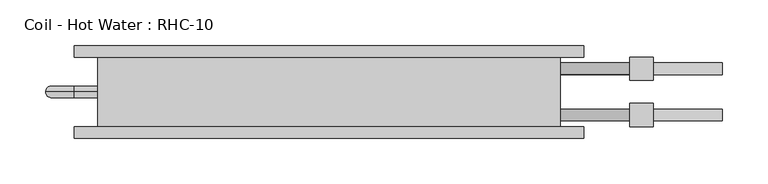
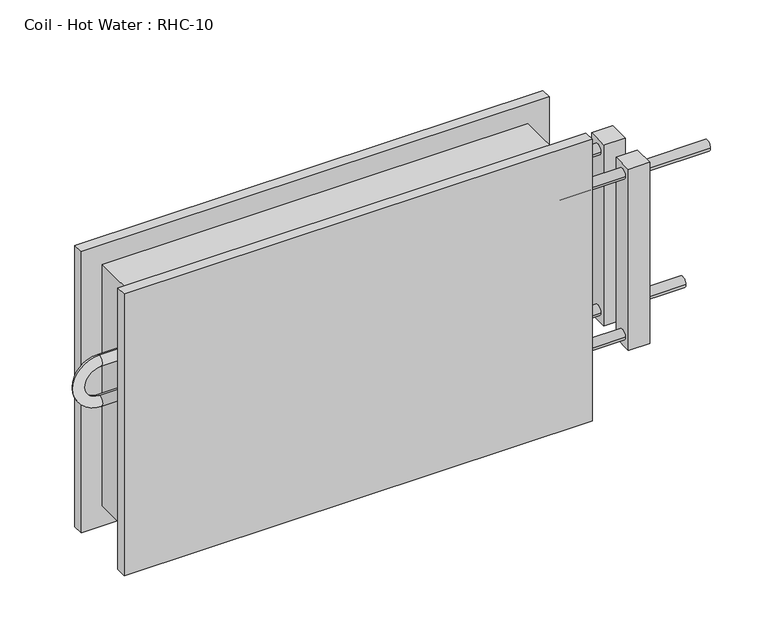
"""IFC4 building model written with IfcOpenShell, lengths in millimetres: proxy geometry, Coil - Hot Water : RHC-10."""

from ifc_helpers import new_model, si_unit, point, frame, origin, place, context, project, spatial, circle_curve, ellipse_curve, trimmed, source, transform, mapped, element, save
from ifc_brep_helpers import plane_surface, cylinder_surface, revolved_surface, advanced_brep


def coil_hot_water_rhc_10_0d7b124d(model_context):
    return source(origin(), model_context, "Body", "AdvancedBrep", [
        advanced_brep(
        [(-254.0, 76.2, 304.8), (-254.0, 0.0, 304.8), (254.0, 0.0, 304.8), (254.0, 76.2, 304.8), (254.0, 76.2, 0.0), (254.0, 0.0, 0.0), (-254.0, 0.0, 0.0), (-254.0, 76.2, 0.0), (-254.0, 38.1, 222.25), (-254.0, 38.1, 209.55), (-254.0, 38.1, 171.45), (-254.0, 38.1, 158.75), (254.0, 57.15, 254.0), (254.0, 69.85, 254.0), (254.0, 6.35, 50.8), (254.0, 19.05, 50.8), (254.0, 6.35, 254.0), (254.0, 19.05, 254.0), (254.0, 57.15, 50.8), (254.0, 69.85, 50.8), (279.4, 76.2, 330.2), (-279.4, 76.2, 330.2), (-279.4, 76.2, -25.4), (279.4, 76.2, -25.4), (279.4, 88.9, 330.2), (279.4, 88.9, -25.4), (-279.4, 88.9, -25.4), (-279.4, 88.9, 330.2), (431.8, 57.15, 50.8), (431.8, 69.85, 50.8), (431.8, 6.35, 254.0), (431.8, 19.05, 254.0), (355.6, 57.15, 50.8), (355.6, 69.85, 50.8), (355.6, 6.35, 254.0), (355.6, 19.05, 254.0), (279.4, -12.7, 330.2), (-279.4, -12.7, 330.2), (-279.4, -12.7, -25.4), (279.4, -12.7, -25.4), (279.4, 0.0, 330.2), (279.4, 0.0, -25.4), (-279.4, 0.0, -25.4), (-279.4, 0.0, 330.2), (-279.4, 38.1, 222.25), (-279.4, 38.1, 209.55), (-279.4, 38.1, 158.75), (-279.4, 38.1, 171.45), (330.2, 57.15, 254.0), (330.2, 69.85, 254.0), (330.2, 6.35, 50.8), (330.2, 19.05, 50.8), (330.2, 6.35, 254.0), (330.2, 19.05, 254.0), (330.2, 57.15, 50.8), (330.2, 69.85, 50.8), (355.6, 50.8, 266.7), (355.6, 50.8, 38.1), (355.6, 76.2, 38.1), (355.6, 76.2, 266.7), (355.6, 0.0, 266.7), (355.6, 0.0, 38.1), (355.6, 25.4, 38.1), (355.6, 25.4, 266.7), (330.2, 50.8, 266.7), (330.2, 76.2, 266.7), (330.2, 76.2, 38.1), (330.2, 50.8, 38.1), (330.2, 0.0, 266.7), (330.2, 25.4, 266.7), (330.2, 25.4, 38.1), (330.2, 0.0, 38.1)],
        [
            (0, 1),
            (1, 2),
            (2, 3),
            (3, 0),
            (4, 5),
            (5, 6),
            (6, 7),
            (7, 4),
            (0, 7),
            (6, 1),
            (8, 9, circle_curve(frame((-254.0, 38.1, 215.9), z_axis=(1.0, 0.0, 0.0), x_axis=(0.0, 0.0, -1.0)), 6.35)),
            (9, 8, circle_curve(frame((-254.0, 38.1, 215.9), z_axis=(1.0, 0.0, 0.0), x_axis=(0.0, 0.0, -1.0)), 6.35)),
            (10, 11, circle_curve(frame((-254.0, 38.1, 165.1), z_axis=(1.0, 0.0, 0.0), x_axis=(0.0, 0.0, 1.0)), 6.35)),
            (11, 10, circle_curve(frame((-254.0, 38.1, 165.1), z_axis=(1.0, 0.0, 0.0), x_axis=(0.0, 0.0, 1.0)), 6.35)),
            (2, 5),
            (4, 3),
            (12, 13, circle_curve(frame((254.0, 63.5, 254.0), z_axis=(-1.0, 0.0, 0.0), x_axis=(0.0, 1.0, 0.0)), 6.35)),
            (13, 12, circle_curve(frame((254.0, 63.5, 254.0), z_axis=(-1.0, 0.0, 0.0), x_axis=(0.0, 1.0, 0.0)), 6.35)),
            (14, 15, circle_curve(frame((254.0, 12.7, 50.8), z_axis=(-1.0, 0.0, 0.0), x_axis=(0.0, 1.0, 0.0)), 6.35)),
            (15, 14, circle_curve(frame((254.0, 12.7, 50.8), z_axis=(-1.0, 0.0, 0.0), x_axis=(0.0, 1.0, 0.0)), 6.35)),
            (16, 17, circle_curve(frame((254.0, 12.7, 254.0), z_axis=(-1.0, 0.0, 0.0), x_axis=(0.0, 1.0, 0.0)), 6.35)),
            (17, 16, circle_curve(frame((254.0, 12.7, 254.0), z_axis=(-1.0, 0.0, 0.0), x_axis=(0.0, 1.0, 0.0)), 6.35)),
            (18, 19, circle_curve(frame((254.0, 63.5, 50.8), z_axis=(-1.0, 0.0, 0.0), x_axis=(0.0, 1.0, 0.0)), 6.35)),
            (19, 18, circle_curve(frame((254.0, 63.5, 50.8), z_axis=(-1.0, 0.0, 0.0), x_axis=(0.0, 1.0, 0.0)), 6.35)),
            (20, 21),
            (21, 22),
            (22, 23),
            (23, 20),
            (24, 25),
            (25, 26),
            (26, 27),
            (27, 24),
            (20, 24),
            (27, 21),
            (26, 22),
            (25, 23),
            (28, 29, circle_curve(frame((431.8, 63.5, 50.8), z_axis=(1.0, 0.0, 0.0), x_axis=(0.0, 1.0, 0.0)), 6.35)),
            (29, 28, circle_curve(frame((431.8, 63.5, 50.8), z_axis=(1.0, 0.0, 0.0), x_axis=(0.0, 1.0, 0.0)), 6.35)),
            (30, 31, circle_curve(frame((431.8, 12.7, 254.0), z_axis=(1.0, 0.0, 0.0), x_axis=(0.0, 1.0, 0.0)), 6.35)),
            (31, 30, circle_curve(frame((431.8, 12.7, 254.0), z_axis=(1.0, 0.0, 0.0), x_axis=(0.0, 1.0, 0.0)), 6.35)),
            (28, 32),
            (32, 33, circle_curve(frame((355.6, 63.5, 50.8), z_axis=(1.0, 0.0, 0.0), x_axis=(0.0, 1.0, 0.0)), 6.35)),
            (33, 29),
            (33, 32, circle_curve(frame((355.6, 63.5, 50.8), z_axis=(1.0, 0.0, 0.0), x_axis=(0.0, 1.0, 0.0)), 6.35)),
            (30, 34),
            (34, 35, circle_curve(frame((355.6, 12.7, 254.0), z_axis=(1.0, 0.0, 0.0), x_axis=(0.0, 1.0, 0.0)), 6.35)),
            (35, 31),
            (35, 34, circle_curve(frame((355.6, 12.7, 254.0), z_axis=(1.0, 0.0, 0.0), x_axis=(0.0, 1.0, 0.0)), 6.35)),
            (36, 37),
            (37, 38),
            (38, 39),
            (39, 36),
            (40, 41),
            (41, 42),
            (42, 43),
            (43, 40),
            (36, 40),
            (43, 37),
            (42, 38),
            (41, 39),
            (8, 44),
            (44, 45, circle_curve(frame((-279.4, 38.1, 215.9), z_axis=(1.0, 0.0, 0.0), x_axis=(0.0, 0.0, -1.0)), 6.35)),
            (45, 9),
            (45, 44, circle_curve(frame((-279.4, 38.1, 215.9), z_axis=(1.0, 0.0, 0.0), x_axis=(0.0, 0.0, -1.0)), 6.35)),
            (44, 46, circle_curve(frame((-279.4, 38.1, 190.5), z_axis=(0.0, -1.0, 0.0), x_axis=(0.0, 0.0, 1.0)), 31.75)),
            (46, 47, circle_curve(frame((-279.4, 38.1, 165.1), z_axis=(-1.0, 0.0, 0.0), x_axis=(0.0, 0.0, 1.0)), 6.35)),
            (47, 45, circle_curve(frame((-279.4, 38.1, 190.5), z_axis=(0.0, 1.0, 0.0), x_axis=(0.0, 0.0, 1.0)), 19.05)),
            (47, 46, circle_curve(frame((-279.4, 38.1, 165.1), z_axis=(-1.0, 0.0, 0.0), x_axis=(0.0, 0.0, 1.0)), 6.35)),
            (46, 11),
            (10, 47),
            (12, 48),
            (48, 49, circle_curve(frame((330.2, 63.5, 254.0), z_axis=(-1.0, 0.0, 0.0), x_axis=(0.0, 1.0, 0.0)), 6.35)),
            (49, 13),
            (49, 48, circle_curve(frame((330.2, 63.5, 254.0), z_axis=(-1.0, 0.0, 0.0), x_axis=(0.0, 1.0, 0.0)), 6.35)),
            (14, 50),
            (50, 51, circle_curve(frame((330.2, 12.7, 50.8), z_axis=(-1.0, 0.0, 0.0), x_axis=(0.0, 1.0, 0.0)), 6.35)),
            (51, 15),
            (51, 50, circle_curve(frame((330.2, 12.7, 50.8), z_axis=(-1.0, 0.0, 0.0), x_axis=(0.0, 1.0, 0.0)), 6.35)),
            (16, 52),
            (52, 53, circle_curve(frame((330.2, 12.7, 254.0), z_axis=(-1.0, 0.0, 0.0), x_axis=(0.0, 1.0, 0.0)), 6.35)),
            (53, 17),
            (53, 52, circle_curve(frame((330.2, 12.7, 254.0), z_axis=(-1.0, 0.0, 0.0), x_axis=(0.0, 1.0, 0.0)), 6.35)),
            (18, 54),
            (54, 55, circle_curve(frame((330.2, 63.5, 50.8), z_axis=(-1.0, 0.0, 0.0), x_axis=(0.0, 1.0, 0.0)), 6.35)),
            (55, 19),
            (55, 54, circle_curve(frame((330.2, 63.5, 50.8), z_axis=(-1.0, 0.0, 0.0), x_axis=(0.0, 1.0, 0.0)), 6.35)),
            (56, 57),
            (57, 58),
            (58, 59),
            (59, 56),
            (60, 61),
            (61, 62),
            (62, 63),
            (63, 60),
            (64, 65),
            (65, 66),
            (66, 67),
            (67, 64),
            (68, 69),
            (69, 70),
            (70, 71),
            (71, 68),
            (56, 64),
            (67, 57),
            (66, 58),
            (65, 59),
            (60, 68),
            (71, 61),
            (70, 62),
            (69, 63),
        ],
        [
            plane_surface(frame((-254.0, 76.2, 304.8), z_axis=(0.0, 0.0, 1.0), x_axis=(-1.0, 0.0, 0.0))),
            plane_surface(frame((-254.0, 76.2, 0.0), z_axis=(0.0, 0.0, -1.0), x_axis=(1.0, 0.0, 0.0))),
            plane_surface(frame((-254.0, 76.2, 304.8), z_axis=(-1.0, 0.0, 0.0), x_axis=(0.0, 0.0, -1.0))),
            plane_surface(frame((254.0, 0.0, 304.8), z_axis=(1.0, 0.0, 0.0), x_axis=(0.0, 0.0, -1.0))),
            plane_surface(frame((-279.4, 76.2, 330.2), z_axis=(0.0, -1.0, 0.0), x_axis=(-1.0, 0.0, 0.0))),
            plane_surface(frame((-279.4, 88.9, 330.2), z_axis=(0.0, 1.0, 0.0), x_axis=(1.0, 0.0, 0.0))),
            plane_surface(frame((279.4, 76.2, 330.2), z_axis=(0.0, 0.0, 1.0), x_axis=(0.0, 1.0, 0.0))),
            plane_surface(frame((-279.4, 76.2, 330.2), z_axis=(-1.0, 0.0, 0.0), x_axis=(0.0, 1.0, 0.0))),
            plane_surface(frame((-279.4, 76.2, -25.4), z_axis=(0.0, 0.0, -1.0), x_axis=(0.0, 1.0, 0.0))),
            plane_surface(frame((279.4, 76.2, -25.4), z_axis=(1.0, 0.0, 0.0), x_axis=(0.0, 1.0, 0.0))),
            plane_surface(frame((431.8, 69.85, 50.8), z_axis=(1.0, 0.0, 0.0), x_axis=(0.0, 0.0, 1.0))),
            cylinder_surface(frame((355.6, 63.5, 50.8), z_axis=(1.0, 0.0, 0.0), x_axis=(0.0, 1.0, 0.0)), 6.35),
            cylinder_surface(frame((0.0, 12.7, 254.0), z_axis=(1.0, 0.0, 0.0), x_axis=(0.0, 1.0, 0.0)), 6.35),
            plane_surface(frame((-279.4, -12.7, 330.2), z_axis=(0.0, -1.0, 0.0), x_axis=(-1.0, 0.0, 0.0))),
            plane_surface(frame((-279.4, 0.0, 330.2), z_axis=(0.0, 1.0, 0.0), x_axis=(1.0, 0.0, 0.0))),
            plane_surface(frame((279.4, -12.7, 330.2), z_axis=(0.0, 0.0, 1.0), x_axis=(0.0, 1.0, 0.0))),
            plane_surface(frame((-279.4, -12.7, 330.2), z_axis=(-1.0, 0.0, 0.0), x_axis=(0.0, 1.0, 0.0))),
            plane_surface(frame((-279.4, -12.7, -25.4), z_axis=(0.0, 0.0, -1.0), x_axis=(0.0, 1.0, 0.0))),
            plane_surface(frame((279.4, -12.7, -25.4), z_axis=(1.0, 0.0, 0.0), x_axis=(0.0, 1.0, 0.0))),
            cylinder_surface(frame((-254.0, 38.1, 215.9), z_axis=(1.0, 0.0, 0.0), x_axis=(0.0, 0.0, -1.0)), 6.35),
            revolved_surface(trimmed(ellipse_curve(frame((-279.4, 38.1, 215.9), z_axis=(1.0, 0.0, 0.0), x_axis=(0.0, 0.0, -1.0)), 6.35, 6.35), [point((-279.4, 38.1, 222.25))], [point((-279.4, 38.1, 209.55))], True, "CARTESIAN"), (-279.4, 0.0, 190.5), (0.0, -1.0, 0.0)),
            revolved_surface(trimmed(ellipse_curve(frame((-279.4, 38.1, 215.9), z_axis=(1.0, 0.0, 0.0), x_axis=(0.0, 0.0, -1.0)), 6.35, 6.35), [point((-279.4, 38.1, 209.55))], [point((-279.4, 38.1, 222.25))], True, "CARTESIAN"), (-279.4, 0.0, 190.5), (0.0, -1.0, 0.0)),
            cylinder_surface(frame((-279.4, 38.1, 165.1), z_axis=(-1.0, 0.0, 0.0), x_axis=(0.0, 0.0, 1.0)), 6.35),
            cylinder_surface(frame((254.0, 63.5, 254.0), z_axis=(-1.0, 0.0, 0.0), x_axis=(0.0, 1.0, 0.0)), 6.35),
            cylinder_surface(frame((254.0, 12.7, 50.8), z_axis=(-1.0, 0.0, 0.0), x_axis=(0.0, 1.0, 0.0)), 6.35),
            cylinder_surface(frame((254.0, 12.7, 254.0), z_axis=(-1.0, 0.0, 0.0), x_axis=(0.0, 1.0, 0.0)), 6.35),
            cylinder_surface(frame((254.0, 63.5, 50.8), z_axis=(-1.0, 0.0, 0.0), x_axis=(0.0, 1.0, 0.0)), 6.35),
            plane_surface(frame((355.6, 50.8, 264.0802069), z_axis=(1.0, 0.0, 0.0), x_axis=(0.0, 0.0, -1.0))),
            plane_surface(frame((330.2, 50.8, 264.0802069), z_axis=(-1.0, 0.0, 0.0), x_axis=(0.0, 0.0, 1.0))),
            plane_surface(frame((355.6, 50.8, 266.7), z_axis=(0.0, -1.0, 0.0), x_axis=(-1.0, 0.0, 0.0))),
            plane_surface(frame((355.6, 50.8, 38.1), z_axis=(0.0, 0.0, -1.0), x_axis=(-1.0, 0.0, 0.0))),
            plane_surface(frame((355.6, 76.2, 38.1), z_axis=(0.0, 1.0, 0.0), x_axis=(-1.0, 0.0, 0.0))),
            plane_surface(frame((355.6, 76.2, 266.7), z_axis=(0.0, 0.0, 1.0), x_axis=(-1.0, 0.0, 0.0))),
            plane_surface(frame((355.6, 0.0, 266.7), z_axis=(0.0, -1.0, 0.0), x_axis=(-1.0, 0.0, 0.0))),
            plane_surface(frame((355.6, 0.0, 38.1), z_axis=(0.0, 0.0, -1.0), x_axis=(-1.0, 0.0, 0.0))),
            plane_surface(frame((355.6, 25.4, 38.1), z_axis=(0.0, 1.0, 0.0), x_axis=(-1.0, 0.0, 0.0))),
            plane_surface(frame((355.6, 25.4, 266.7), z_axis=(0.0, 0.0, 1.0), x_axis=(-1.0, 0.0, 0.0))),
        ],
        [
            (0, [[1, 2, 3, 4]]),
            (1, [[5, 6, 7, 8]]),
            (2, [[-1, 9, -7, 10], [11, 12], [13, 14]]),
            (3, [[-3, 15, -5, 16], [17, 18], [19, 20], [21, 22], [23, 24]]),
            (4, [[25, 26, 27, 28], [-4, -16, -8, -9]]),
            (5, [[29, 30, 31, 32]]),
            (6, [[-25, 33, -32, 34]]),
            (7, [[-26, -34, -31, 35]]),
            (8, [[-27, -35, -30, 36]]),
            (9, [[-28, -36, -29, -33]]),
            (10, [[37, 38]]),
            (10, [[39, 40]]),
            (11, [[-37, 41, 42, 43]]),
            (11, [[-38, -43, 44, -41]]),
            (12, [[-39, 45, 46, 47]]),
            (12, [[-40, -47, 48, -45]]),
            (13, [[49, 50, 51, 52]]),
            (14, [[53, 54, 55, 56], [-2, -10, -6, -15]]),
            (15, [[-49, 57, -56, 58]]),
            (16, [[-50, -58, -55, 59]]),
            (17, [[-51, -59, -54, 60]]),
            (18, [[-52, -60, -53, -57]]),
            (19, [[61, 62, 63, -11]]),
            (19, [[-61, -12, -63, 64]]),
            (20, [[-62, 65, 66, 67]]),
            (21, [[-64, -67, 68, -65]]),
            (22, [[-66, 69, -13, 70]]),
            (22, [[-68, -70, -14, -69]]),
            (23, [[71, 72, 73, -17]]),
            (23, [[-71, -18, -73, 74]]),
            (24, [[75, 76, 77, -19]]),
            (24, [[-75, -20, -77, 78]]),
            (25, [[79, 80, 81, -21]]),
            (25, [[-79, -22, -81, 82]]),
            (26, [[83, 84, 85, -23]]),
            (26, [[-83, -24, -85, 86]]),
            (27, [[87, 88, 89, 90], [-42, -44]]),
            (27, [[91, 92, 93, 94], [-46, -48]]),
            (28, [[95, 96, 97, 98], [-72, -74], [-84, -86]]),
            (28, [[99, 100, 101, 102], [-76, -78], [-80, -82]]),
            (29, [[-87, 103, -98, 104]]),
            (30, [[-88, -104, -97, 105]]),
            (31, [[-89, -105, -96, 106]]),
            (32, [[-90, -106, -95, -103]]),
            (33, [[-91, 107, -102, 108]]),
            (34, [[-92, -108, -101, 109]]),
            (35, [[-93, -109, -100, 110]]),
            (36, [[-94, -110, -99, -107]]),
        ],
    ),
    ])


if __name__ == "__main__":
    model = new_model("IFC4")
    model_context = context("Model", 3, world=origin())
    ifc_project = project(units=[si_unit("LENGTHUNIT", "METRE", prefix="MILLI")], contexts=[model_context])
    site = spatial("IfcSite", under=ifc_project)
    building = spatial("IfcBuilding", under=site)
    placement = place(None, origin())
    coil_hot_water_rhc_10_shape = coil_hot_water_rhc_10_0d7b124d(model_context)
    element("IfcBuildingElementProxy", 1, Name="Coil - Hot Water : RHC-10", ObjectType="Coil - Hot Water : RHC-10", at=placement, inside=building, context=model_context, shape_type="MappedRepresentation", body=[
        mapped(coil_hot_water_rhc_10_shape, transform((0.0, 0.0, 0.0), x_axis=(1.0, 0.0, 0.0), y_axis=(0.0, 1.0, 0.0), z_axis=(0.0, 0.0, 1.0))),
    ])
    save(model, "model.ifc")
